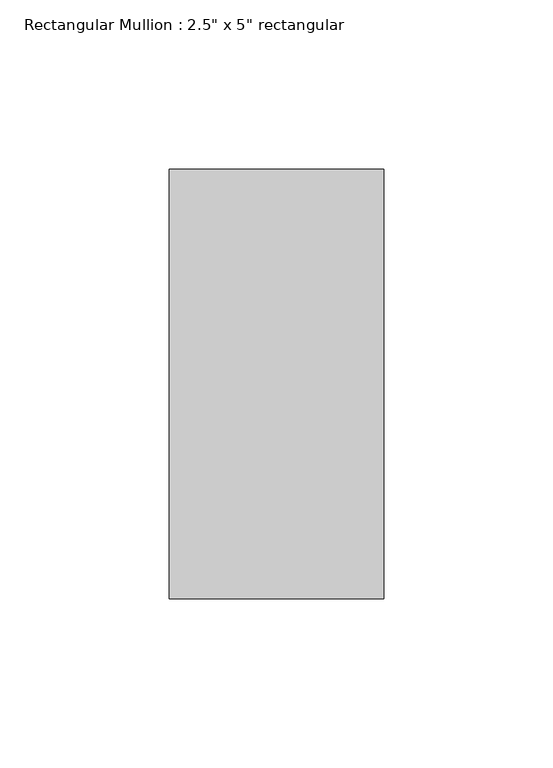
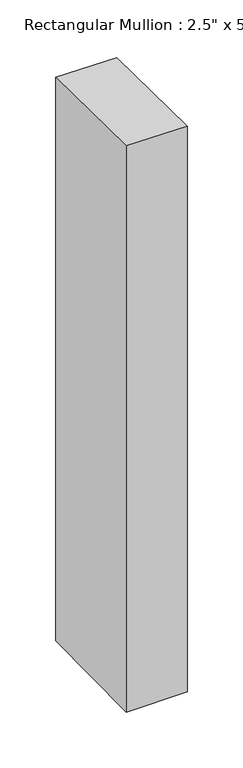
"""IFC4 building model written with IfcOpenShell, lengths in millimetres: member geometry."""

from ifc_helpers import new_model, si_unit, origin, place, context, project, spatial, faceted_brep, source, transform, mapped, element, save


def member_2ff2b154(model_context):
    return source(origin(), model_context, "Body", "Brep", [
        faceted_brep([(-63.5, 63.5, -0.0698823), (0.0, 63.5, -0.7465782), (0.0, 63.5, -618.943177), (-63.5, 63.5, -619.5326832), (-63.5, -63.5, 1.4232741), (-63.5, -63.5, -621.0150468), (0.0, -63.5, 0.7465782), (0.0, -63.5, -620.4255405)], [[[0, 1, 2, 3]], [[4, 0, 3, 5]], [[6, 4, 5, 7]], [[1, 6, 7, 2]], [[1, 0, 4, 6]], [[2, 7, 5, 3]]]),
    ])


if __name__ == "__main__":
    model = new_model("IFC4")
    model_context = context("Model", 3, world=origin())
    ifc_project = project(units=[si_unit("LENGTHUNIT", "METRE", prefix="MILLI")], contexts=[model_context])
    site = spatial("IfcSite", under=ifc_project)
    building = spatial("IfcBuilding", under=site)
    placement = place(None, origin())
    member_shape = member_2ff2b154(model_context)
    element("IfcMember", 1, ObjectType="Rectangular Mullion : 2.5\" x 5\" rectangular", at=placement, inside=building, context=model_context, shape_type="MappedRepresentation", body=[
        mapped(member_shape, transform((0.0, 0.0, 0.0), x_axis=(1.0, 0.0, 0.0), y_axis=(0.0, 1.0, 0.0), z_axis=(0.0, 0.0, 1.0))),
    ])
    save(model, "model.ifc")
